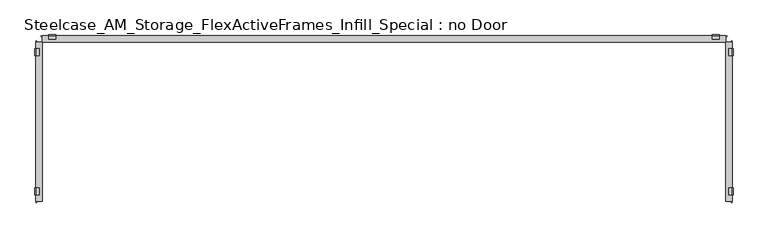
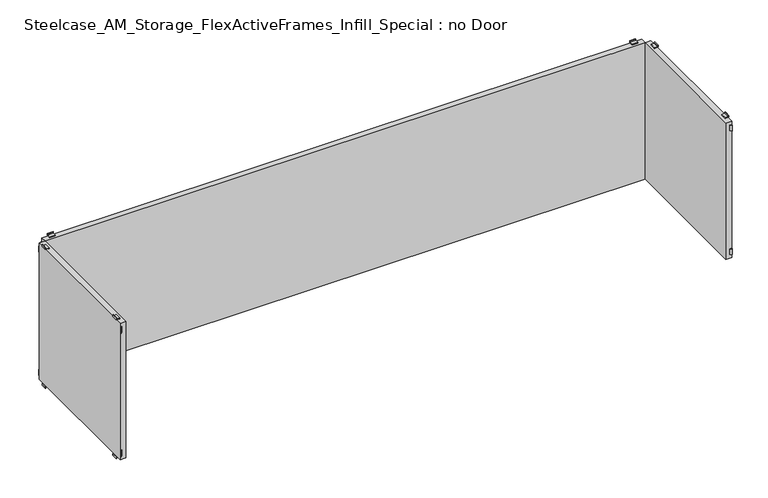
"""IFC4 building model written with IfcOpenShell, lengths in millimetres: furniture geometry, Steelcase_AM_Storage_FlexActiveFrames_Infill_Special : no Door."""

from ifc_helpers import new_model, si_unit, frame, origin, place, context, project, spatial, polyline, outline, extrude, source, transform, mapped, element, save


def steelcase_am_storage_flexactiveframes_infill_special_no_door_bd6636b8(model_context):
    return source(origin(), model_context, "Body", "SweptSolid", [
        extrude(outline(polyline([(1592.9603586, -382.27), (1595.6153445, -384.924986), (1594.5377138, -386.0026167), (1590.8050971, -382.27), (1592.9603586, -382.27)])), frame((0.0, 0.0, 472.0336), z_axis=(0.0, 0.0, 1.0), x_axis=(1.0, 0.0, 0.0)), (0.0, 0.0, 1.0), 15.24),
        extrude(outline(polyline([(1592.9603586, -17.78), (1590.8050971, -17.78), (1594.5377138, -14.0473833), (1595.6153445, -15.125014), (1592.9603586, -17.78)])), frame((0.0, 0.0, 472.0336), z_axis=(0.0, 0.0, 1.0), x_axis=(1.0, 0.0, 0.0)), (0.0, 0.0, 1.0), 15.24),
        extrude(outline(polyline([(1592.9603586, -382.27), (1595.6153445, -384.924986), (1594.5377138, -386.0026167), (1590.8050971, -382.27), (1592.9603586, -382.27)])), frame((0.0, 0.0, 131.6736), z_axis=(0.0, 0.0, 1.0), x_axis=(1.0, 0.0, 0.0)), (0.0, 0.0, 1.0), 15.24),
        extrude(outline(polyline([(1592.9603586, -17.78), (1590.8050971, -17.78), (1594.5377138, -14.0473833), (1595.6153445, -15.125014), (1592.9603586, -17.78)])), frame((0.0, 0.0, 131.6736), z_axis=(0.0, 0.0, 1.0), x_axis=(1.0, 0.0, 0.0)), (0.0, 0.0, 1.0), 15.24),
        extrude(outline(polyline([(503.0770636, 1595.628), (499.9736, 1595.628), (499.9736, 1587.246), (497.4336, 1587.246), (497.4336, 1588.77), (498.4496, 1588.77), (498.4496, 1597.152), (503.0770636, 1597.152), (503.0770636, 1595.628)])), frame((0.0, -48.26, 0.0), z_axis=(0.0, 1.0, 0.0), x_axis=(0.0, 0.0, 1.0)), (0.0, 0.0, 1.0), 15.24),
        extrude(outline(polyline([(115.8701364, 1595.628), (115.8701364, 1597.152), (120.4976, 1597.152), (120.4976, 1588.77), (121.5136, 1588.77), (121.5136, 1587.246), (118.9736, 1587.246), (118.9736, 1595.628), (115.8701364, 1595.628)])), frame((0.0, -48.26, 0.0), z_axis=(0.0, 1.0, 0.0), x_axis=(0.0, 0.0, 1.0)), (0.0, 0.0, 1.0), 15.24),
        extrude(outline(polyline([(503.0770636, 1595.628), (499.9736, 1595.628), (499.9736, 1587.246), (497.4336, 1587.246), (497.4336, 1588.77), (498.4496, 1588.77), (498.4496, 1597.152), (503.0770636, 1597.152), (503.0770636, 1595.628)])), frame((0.0, -367.03, 0.0), z_axis=(0.0, 1.0, 0.0), x_axis=(0.0, 0.0, 1.0)), (0.0, 0.0, 1.0), 15.24),
        extrude(outline(polyline([(115.8701364, 1595.628), (115.8701364, 1597.152), (120.4976, 1597.152), (120.4976, 1588.77), (121.5136, 1588.77), (121.5136, 1587.246), (118.9736, 1587.246), (118.9736, 1595.628), (115.8701364, 1595.628)])), frame((0.0, -367.03, 0.0), z_axis=(0.0, 1.0, 0.0), x_axis=(0.0, 0.0, 1.0)), (0.0, 0.0, 1.0), 15.24),
        extrude(outline(polyline([(1580.388, -17.78), (1595.628, -17.78), (1595.628, -382.27), (1580.388, -382.27), (1580.388, -17.78)])), frame((0.0, 0.0, 121.5136), z_axis=(0.0, 0.0, 1.0), x_axis=(1.0, 0.0, 0.0)), (0.0, 0.0, 1.0), 375.92),
        extrude(outline(polyline([(5.2076414, -382.27), (7.3629029, -382.27), (3.6302862, -386.0026167), (2.5526555, -384.924986), (5.2076414, -382.27)])), frame((0.0, 0.0, 472.0336), z_axis=(0.0, 0.0, 1.0), x_axis=(1.0, 0.0, 0.0)), (0.0, 0.0, 1.0), 15.24),
        extrude(outline(polyline([(5.2076414, -17.78), (2.5526555, -15.125014), (3.6302862, -14.0473833), (7.3629029, -17.78), (5.2076414, -17.78)])), frame((0.0, 0.0, 472.0336), z_axis=(0.0, 0.0, 1.0), x_axis=(1.0, 0.0, 0.0)), (0.0, 0.0, 1.0), 15.24),
        extrude(outline(polyline([(5.2076414, -382.27), (7.3629029, -382.27), (3.6302862, -386.0026167), (2.5526555, -384.924986), (5.2076414, -382.27)])), frame((0.0, 0.0, 131.6736), z_axis=(0.0, 0.0, 1.0), x_axis=(1.0, 0.0, 0.0)), (0.0, 0.0, 1.0), 15.24),
        extrude(outline(polyline([(5.2076414, -17.78), (2.5526555, -15.125014), (3.6302862, -14.0473833), (7.3629029, -17.78), (5.2076414, -17.78)])), frame((0.0, 0.0, 131.6736), z_axis=(0.0, 0.0, 1.0), x_axis=(1.0, 0.0, 0.0)), (0.0, 0.0, 1.0), 15.24),
        extrude(outline(polyline([(503.0770636, 2.54), (503.0770636, 1.016), (498.4496, 1.016), (498.4496, 9.398), (497.4336, 9.398), (497.4336, 10.922), (499.9736, 10.922), (499.9736, 2.54), (503.0770636, 2.54)])), frame((0.0, -48.26, 0.0), z_axis=(0.0, 1.0, 0.0), x_axis=(0.0, 0.0, 1.0)), (0.0, 0.0, 1.0), 15.24),
        extrude(outline(polyline([(115.8701364, 2.54), (118.9736, 2.54), (118.9736, 10.922), (121.5136, 10.922), (121.5136, 9.398), (120.4976, 9.398), (120.4976, 1.016), (115.8701364, 1.016), (115.8701364, 2.54)])), frame((0.0, -48.26, 0.0), z_axis=(0.0, 1.0, 0.0), x_axis=(0.0, 0.0, 1.0)), (0.0, 0.0, 1.0), 15.24),
        extrude(outline(polyline([(503.0770636, 2.54), (503.0770636, 1.016), (498.4496, 1.016), (498.4496, 9.398), (497.4336, 9.398), (497.4336, 10.922), (499.9736, 10.922), (499.9736, 2.54), (503.0770636, 2.54)])), frame((0.0, -367.03, 0.0), z_axis=(0.0, 1.0, 0.0), x_axis=(0.0, 0.0, 1.0)), (0.0, 0.0, 1.0), 15.24),
        extrude(outline(polyline([(115.8701364, 2.54), (118.9736, 2.54), (118.9736, 10.922), (121.5136, 10.922), (121.5136, 9.398), (120.4976, 9.398), (120.4976, 1.016), (115.8701364, 1.016), (115.8701364, 2.54)])), frame((0.0, -367.03, 0.0), z_axis=(0.0, 1.0, 0.0), x_axis=(0.0, 0.0, 1.0)), (0.0, 0.0, 1.0), 15.24),
        extrude(outline(polyline([(17.78, -17.78), (17.78, -382.27), (2.54, -382.27), (2.54, -17.78), (17.78, -17.78)])), frame((0.0, 0.0, 121.5136), z_axis=(0.0, 0.0, 1.0), x_axis=(1.0, 0.0, 0.0)), (0.0, 0.0, 1.0), 375.92),
        extrude(outline(polyline([(17.78, -5.2076414), (17.78, -7.3629029), (14.0473833, -3.6302862), (15.125014, -2.5526555), (17.78, -5.2076414)])), frame((0.0, 0.0, 472.0336), z_axis=(0.0, 0.0, 1.0), x_axis=(1.0, 0.0, 0.0)), (0.0, 0.0, 1.0), 15.24),
        extrude(outline(polyline([(1580.388, -5.2076414), (1583.042986, -2.5526555), (1584.1206167, -3.6302862), (1580.388, -7.3629029), (1580.388, -5.2076414)])), frame((0.0, 0.0, 472.0336), z_axis=(0.0, 0.0, 1.0), x_axis=(1.0, 0.0, 0.0)), (0.0, 0.0, 1.0), 15.24),
        extrude(outline(polyline([(17.78, -5.2076414), (17.78, -7.3629029), (14.0473833, -3.6302862), (15.125014, -2.5526555), (17.78, -5.2076414)])), frame((0.0, 0.0, 131.6736), z_axis=(0.0, 0.0, 1.0), x_axis=(1.0, 0.0, 0.0)), (0.0, 0.0, 1.0), 15.24),
        extrude(outline(polyline([(1580.388, -5.2076414), (1583.042986, -2.5526555), (1584.1206167, -3.6302862), (1580.388, -7.3629029), (1580.388, -5.2076414)])), frame((0.0, 0.0, 131.6736), z_axis=(0.0, 0.0, 1.0), x_axis=(1.0, 0.0, 0.0)), (0.0, 0.0, 1.0), 15.24),
        extrude(outline(polyline([(-2.54, 503.0770636), (-1.016, 503.0770636), (-1.016, 498.4496), (-9.398, 498.4496), (-9.398, 497.4336), (-10.922, 497.4336), (-10.922, 499.9736), (-2.54, 499.9736), (-2.54, 503.0770636)])), frame((1549.908, 0.0, 0.0), z_axis=(1.0, 0.0, 0.0), x_axis=(0.0, 1.0, 0.0)), (0.0, 0.0, 1.0), 15.24),
        extrude(outline(polyline([(-2.54, 115.8701364), (-2.54, 118.9736), (-10.922, 118.9736), (-10.922, 121.5136), (-9.398, 121.5136), (-9.398, 120.4976), (-1.016, 120.4976), (-1.016, 115.8701364), (-2.54, 115.8701364)])), frame((1549.908, 0.0, 0.0), z_axis=(1.0, 0.0, 0.0), x_axis=(0.0, 1.0, 0.0)), (0.0, 0.0, 1.0), 15.24),
        extrude(outline(polyline([(-2.54, 503.0770636), (-1.016, 503.0770636), (-1.016, 498.4496), (-9.398, 498.4496), (-9.398, 497.4336), (-10.922, 497.4336), (-10.922, 499.9736), (-2.54, 499.9736), (-2.54, 503.0770636)])), frame((33.02, 0.0, 0.0), z_axis=(1.0, 0.0, 0.0), x_axis=(0.0, 1.0, 0.0)), (0.0, 0.0, 1.0), 15.24),
        extrude(outline(polyline([(-2.54, 115.8701364), (-2.54, 118.9736), (-10.922, 118.9736), (-10.922, 121.5136), (-9.398, 121.5136), (-9.398, 120.4976), (-1.016, 120.4976), (-1.016, 115.8701364), (-2.54, 115.8701364)])), frame((33.02, 0.0, 0.0), z_axis=(1.0, 0.0, 0.0), x_axis=(0.0, 1.0, 0.0)), (0.0, 0.0, 1.0), 15.24),
        extrude(outline(polyline([(1580.388, -17.78), (17.78, -17.78), (17.78, -2.54), (1580.388, -2.54), (1580.388, -17.78)])), frame((0.0, 0.0, 121.5136), z_axis=(0.0, 0.0, 1.0), x_axis=(1.0, 0.0, 0.0)), (0.0, 0.0, 1.0), 375.92),
    ])


if __name__ == "__main__":
    model = new_model("IFC4")
    model_context = context("Model", 3, world=origin())
    ifc_project = project(units=[si_unit("LENGTHUNIT", "METRE", prefix="MILLI")], contexts=[model_context])
    site = spatial("IfcSite", under=ifc_project)
    building = spatial("IfcBuilding", under=site)
    placement = place(None, origin())
    steelcase_am_storage_flexactiveframes_infill_special_no_door_shape = steelcase_am_storage_flexactiveframes_infill_special_no_door_bd6636b8(model_context)
    element("IfcFurniture", 1, ObjectType="Steelcase_AM_Storage_FlexActiveFrames_Infill_Special : no Door", at=placement, inside=building, context=model_context, shape_type="MappedRepresentation", body=[
        mapped(steelcase_am_storage_flexactiveframes_infill_special_no_door_shape, transform((0.0, 0.0, 0.0), x_axis=(1.0, 0.0, 0.0), y_axis=(0.0, 1.0, 0.0), z_axis=(0.0, 0.0, 1.0))),
    ])
    save(model, "model.ifc")
